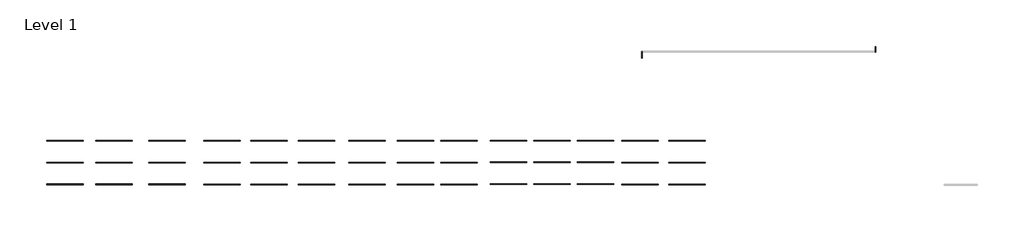
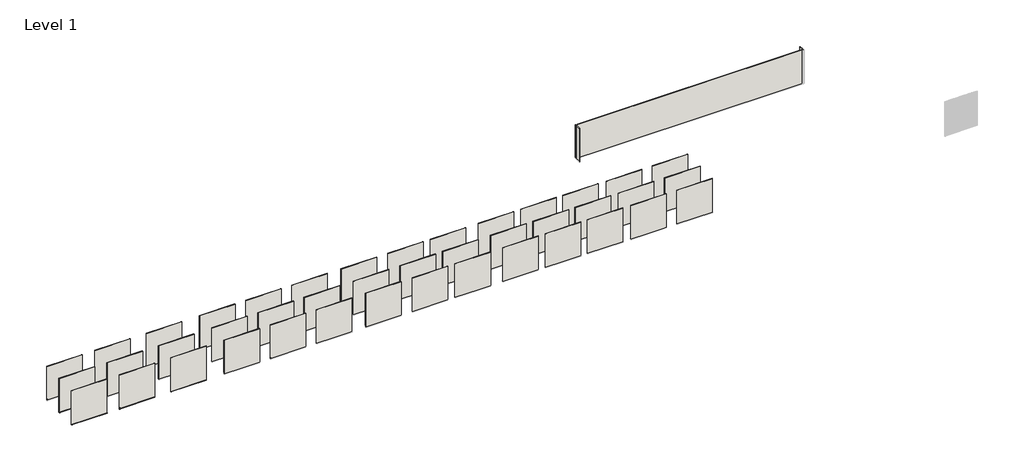
# One storey, part 1 of 3: 45 walls, 4 proxies.
"""IFC4 building model written with IfcOpenShell, lengths in millimetres."""

from ifc_helpers import new_model, si_unit, frame, origin, origin_with_axes, place, context, project, spatial, polyline, circle_curve, outline, extrude, faceted_brep, element, save
from ifc_brep_helpers import plane_surface, cylinder_surface, revolved_surface, advanced_brep

model = new_model("IFC4")

# Units and contexts
model_context = context("Model", 3, world=origin())
ifc_project = project(units=[si_unit("LENGTHUNIT", "METRE", prefix="MILLI")], contexts=[model_context])

# Site, building, storey
site = spatial("IfcSite", under=ifc_project)
building = spatial("IfcBuilding", under=site)
storey = spatial("IfcBuildingStorey", under=building, Name="Level 1", Elevation=0.0)

# Proxies
placement = place(None, origin())
element("IfcBuildingElementProxy", 1, Name="Wall Sweeps", at=placement, inside=storey, context=model_context, shape_type="Brep", body=[
    faceted_brep([(44144.5829698, -72467.0971315, 69.85), (44144.5829698, -72465.5096315, 69.85), (44144.5829698, -72465.5096315, -1.5875), (44144.5829698, -72529.0096315, -1.5875), (44144.5829698, -72529.0096315, -24.742436), (44144.5829698, -72519.9495995, -33.802468), (44144.5829698, -72521.0721315, -34.925), (44144.5829698, -72530.5971315, -25.4), (44144.5829698, -72530.5971315, 0.0), (44144.5829698, -72516.3096315, 0.0), (44144.5829698, -72479.7971315, 0.0), (44144.5829698, -72467.0971315, 0.0), (47192.5829698, -72467.0971315, 69.85), (47192.5829698, -72467.0971315, 0.0), (47192.5829698, -72479.7971315, 0.0), (47192.5829698, -72516.3096315, 0.0), (47192.5829698, -72530.5971315, 0.0), (47192.5829698, -72530.5971315, -25.4), (47192.5829698, -72521.0721315, -34.925), (47192.5829698, -72519.9495995, -33.802468), (47192.5829698, -72529.0096315, -24.742436), (47192.5829698, -72529.0096315, -1.5875), (47192.5829698, -72465.5096315, -1.5875), (47192.5829698, -72465.5096315, 69.85)], [[[0, 1, 2, 3, 4, 5, 6, 7, 8, 9, 10, 11]], [[12, 13, 14, 15, 16, 17, 18, 19, 20, 21, 22, 23]], [[1, 0, 12, 23]], [[2, 1, 23, 22]], [[3, 2, 22, 21]], [[4, 3, 21, 20]], [[5, 4, 20, 19]], [[6, 5, 19, 18]], [[7, 6, 18, 17]], [[8, 7, 17, 16]], [[11, 10, 9, 8, 16, 15, 14, 13]], [[0, 11, 13, 12]]]),
])
element("IfcBuildingElementProxy", 2, Name="Wall Sweeps", at=placement, inside=storey, context=model_context, shape_type="Brep", body=[
    faceted_brep([(39724.9829698, -72467.0971315, 69.85), (39724.9829698, -72465.5096315, 69.85), (39724.9829698, -72465.5096315, -1.5875), (39724.9829698, -72529.0096315, -1.5875), (39724.9829698, -72529.0096315, -24.742436), (39724.9829698, -72519.9495995, -33.802468), (39724.9829698, -72521.0721315, -34.925), (39724.9829698, -72530.5971315, -25.4), (39724.9829698, -72530.5971315, 0.0), (39724.9829698, -72516.3096315, 0.0), (39724.9829698, -72479.7971315, 0.0), (39724.9829698, -72467.0971315, 0.0), (42772.9829698, -72467.0971315, 69.85), (42772.9829698, -72467.0971315, 0.0), (42772.9829698, -72479.7971315, 0.0), (42772.9829698, -72516.3096315, 0.0), (42772.9829698, -72530.5971315, 0.0), (42772.9829698, -72530.5971315, -25.4), (42772.9829698, -72521.0721315, -34.925), (42772.9829698, -72519.9495995, -33.802468), (42772.9829698, -72529.0096315, -24.742436), (42772.9829698, -72529.0096315, -1.5875), (42772.9829698, -72465.5096315, -1.5875), (42772.9829698, -72465.5096315, 69.85)], [[[0, 1, 2, 3, 4, 5, 6, 7, 8, 9, 10, 11]], [[12, 13, 14, 15, 16, 17, 18, 19, 20, 21, 22, 23]], [[1, 0, 12, 23]], [[2, 1, 23, 22]], [[3, 2, 22, 21]], [[4, 3, 21, 20]], [[5, 4, 20, 19]], [[6, 5, 19, 18]], [[7, 6, 18, 17]], [[8, 7, 17, 16]], [[11, 10, 9, 8, 16, 15, 14, 13]], [[0, 11, 13, 12]]]),
])
element("IfcBuildingElementProxy", 3, Name="Wall Sweeps", at=placement, inside=storey, context=model_context, shape_type="Brep", body=[
    faceted_brep([(35610.1829698, -72467.0971315, 69.85), (35610.1829698, -72465.5096315, 69.85), (35610.1829698, -72465.5096315, -1.5875), (35610.1829698, -72529.0096315, -1.5875), (35610.1829698, -72529.0096315, -24.742436), (35610.1829698, -72519.9495995, -33.802468), (35610.1829698, -72521.0721315, -34.925), (35610.1829698, -72530.5971315, -25.4), (35610.1829698, -72530.5971315, 0.0), (35610.1829698, -72516.3096315, 0.0), (35610.1829698, -72479.7971315, 0.0), (35610.1829698, -72467.0971315, 0.0), (38658.1829698, -72467.0971315, 69.85), (38658.1829698, -72467.0971315, 0.0), (38658.1829698, -72479.7971315, 0.0), (38658.1829698, -72516.3096315, 0.0), (38658.1829698, -72530.5971315, 0.0), (38658.1829698, -72530.5971315, -25.4), (38658.1829698, -72521.0721315, -34.925), (38658.1829698, -72519.9495995, -33.802468), (38658.1829698, -72529.0096315, -24.742436), (38658.1829698, -72529.0096315, -1.5875), (38658.1829698, -72465.5096315, -1.5875), (38658.1829698, -72465.5096315, 69.85)], [[[0, 1, 2, 3, 4, 5, 6, 7, 8, 9, 10, 11]], [[12, 13, 14, 15, 16, 17, 18, 19, 20, 21, 22, 23]], [[1, 0, 12, 23]], [[2, 1, 23, 22]], [[3, 2, 22, 21]], [[4, 3, 21, 20]], [[5, 4, 20, 19]], [[6, 5, 19, 18]], [[7, 6, 18, 17]], [[8, 7, 17, 16]], [[11, 10, 9, 8, 16, 15, 14, 13]], [[0, 11, 13, 12]]]),
])
element("IfcBuildingElementProxy", 4, Name="Wall Sweeps", at=placement, inside=storey, context=model_context, shape_type="Brep", body=[
    faceted_brep([(35610.1829698, -70638.2971315, 69.85), (35610.1829698, -70636.7096315, 69.85), (35610.1829698, -70636.7096315, -1.5875), (35610.1829698, -70700.2096315, -1.5875), (35610.1829698, -70700.2096315, -24.742436), (35610.1829698, -70691.1495995, -33.802468), (35610.1829698, -70692.2721315, -34.925), (35610.1829698, -70701.7971315, -25.4), (35610.1829698, -70701.7971315, 0.0), (35610.1829698, -70687.5096315, 0.0), (35610.1829698, -70650.9971315, 0.0), (35610.1829698, -70638.2971315, 0.0), (38658.1829698, -70638.2971315, 69.85), (38658.1829698, -70638.2971315, 0.0), (38658.1829698, -70650.9971315, 0.0), (38658.1829698, -70687.5096315, 0.0), (38658.1829698, -70701.7971315, 0.0), (38658.1829698, -70701.7971315, -25.4), (38658.1829698, -70692.2721315, -34.925), (38658.1829698, -70691.1495995, -33.802468), (38658.1829698, -70700.2096315, -24.742436), (38658.1829698, -70700.2096315, -1.5875), (38658.1829698, -70636.7096315, -1.5875), (38658.1829698, -70636.7096315, 69.85)], [[[0, 1, 2, 3, 4, 5, 6, 7, 8, 9, 10, 11]], [[12, 13, 14, 15, 16, 17, 18, 19, 20, 21, 22, 23]], [[1, 0, 12, 23]], [[2, 1, 23, 22]], [[3, 2, 22, 21]], [[4, 3, 21, 20]], [[5, 4, 20, 19]], [[6, 5, 19, 18]], [[7, 6, 18, 17]], [[8, 7, 17, 16]], [[11, 10, 9, 8, 16, 15, 14, 13]], [[0, 11, 13, 12]]]),
])

# Walls
element("IfcWall", 5, at=placement, inside=storey, context=model_context, shape_type="SweptSolid", body=[
    extrude(outline(polyline([(51764.5829698, -72516.3096315), (48716.5829698, -72516.3096315), (48716.5829698, -72479.7971315), (51764.5829698, -72479.7971315), (51764.5829698, -72516.3096315)])), origin_with_axes(), (0.0, 0.0, 1.0), 3048.0),
])
element("IfcWall", 6, at=placement, inside=storey, context=model_context, shape_type="SweptSolid", body=[
    extrude(outline(polyline([(59689.3829698, -72516.3096315), (56641.3829698, -72516.3096315), (56641.3829698, -72479.7971315), (59689.3829698, -72479.7971315), (59689.3829698, -72516.3096315)])), origin_with_axes(), (0.0, 0.0, 1.0), 3048.0),
])
element("IfcWall", 7, at=placement, inside=storey, context=model_context, shape_type="SweptSolid", body=[
    extrude(outline(polyline([(67918.9829698, -72516.3096315), (64870.9829698, -72516.3096315), (64870.9829698, -72479.7971315), (67918.9829698, -72479.7971315), (67918.9829698, -72516.3096315)])), origin_with_axes(), (0.0, 0.0, 1.0), 3048.0),
])
element("IfcWall", 8, at=placement, inside=storey, context=model_context, shape_type="SweptSolid", body=[
    extrude(outline(polyline([(75691.3829698, -72500.4346315), (72643.3829698, -72500.4346315), (72643.3829698, -72463.9221315), (75691.3829698, -72463.9221315), (75691.3829698, -72500.4346315)])), origin_with_axes(), (0.0, 0.0, 1.0), 3048.0),
])
element("IfcWall", 9, at=placement, inside=storey, context=model_context, shape_type="SweptSolid", body=[
    extrude(outline(polyline([(86664.1829698, -72516.3096315), (83616.1829698, -72516.3096315), (83616.1829698, -72479.7971315), (86664.1829698, -72479.7971315), (86664.1829698, -72516.3096315)])), origin_with_axes(), (0.0, 0.0, 1.0), 3048.0),
])
element("IfcWall", 10, at=placement, inside=storey, context=model_context, shape_type="SweptSolid", body=[
    extrude(outline(polyline([(90626.5829698, -72516.3096315), (87578.5829698, -72516.3096315), (87578.5829698, -72479.7971315), (90626.5829698, -72479.7971315), (90626.5829698, -72516.3096315)])), origin_with_axes(), (0.0, 0.0, 1.0), 3048.0),
])
element("IfcWall", 11, at=placement, inside=storey, context=model_context, shape_type="AdvancedBrep", body=[
    advanced_brep(
    [(104797.4242378, -61412.5408815, 0.0), (104797.4242378, -61412.5408815, 3048.0), (85390.5655198, -61412.5408815, 3048.0), (85390.5655198, -61412.5408815, 0.0), (85326.7367378, -61412.5408815, 3048.0), (85326.7367378, -61412.5408815, 0.0), (85329.1179878, -61412.5408815, 0.0), (85389.4429878, -61412.5408815, 0.0), (85389.4429878, -61412.5408815, 3048.0), (85329.1179878, -61412.5408815, 3048.0), (104797.4242378, -61376.0283815, 0.0), (85326.7367378, -61376.0283815, 0.0), (85326.7367378, -61376.0283815, 3048.0), (104797.4242378, -61376.0283815, 3048.0), (85389.4429878, -61410.9533815, 0.0), (85379.9179878, -61410.9533815, 0.0), (85379.9179878, -61411.7471315, 0.0), (85389.4429878, -61411.7471315, 0.0), (85389.4429878, -61411.7471315, 3048.0), (85379.9179878, -61411.7471315, 3048.0), (85379.9179878, -61410.9533815, 3048.0), (85389.4429878, -61410.9533815, 3048.0)],
    [
        (0, 1),
        (1, 2),
        (2, 3),
        (3, 0),
        (4, 5),
        (5, 6),
        (6, 7),
        (7, 8),
        (8, 9),
        (9, 4),
        (10, 11),
        (11, 12),
        (12, 13),
        (13, 10),
        (10, 0),
        (3, 14, circle_curve(frame((85389.4429878, -61412.1440065, 0.0), z_axis=(0.0, 0.0, 1.0), x_axis=(0.0, -1.0, 0.0)), 1.190625)),
        (14, 15),
        (15, 16),
        (16, 17),
        (17, 7, circle_curve(frame((85389.4429878, -61412.1440065, 0.0), z_axis=(0.0, 0.0, -1.0), x_axis=(0.0, -1.0, 0.0)), 0.396875)),
        (5, 11),
        (12, 4),
        (8, 18, circle_curve(frame((85389.4429878, -61412.1440065, 3048.0), z_axis=(0.0, 0.0, 1.0), x_axis=(0.0, -1.0, 0.0)), 0.396875)),
        (18, 19),
        (19, 20),
        (20, 21),
        (21, 2, circle_curve(frame((85389.4429878, -61412.1440065, 3048.0), z_axis=(0.0, 0.0, -1.0), x_axis=(0.0, -1.0, 0.0)), 1.190625)),
        (1, 13),
        (21, 14),
        (20, 15),
        (19, 16),
        (18, 17),
    ],
    [
        plane_surface(frame((85326.7367378, -61412.5408815, 0.0), z_axis=(0.0, -1.0, 0.0), x_axis=(1.0, 0.0, 0.0))),
        plane_surface(frame((85326.7367378, -61376.0283815, 0.0), z_axis=(0.0, 1.0, 0.0), x_axis=(-1.0, 0.0, 0.0))),
        plane_surface(frame((85308.4804878, -61412.5408815, 0.0), z_axis=(0.0, 0.0, -1.0), x_axis=(0.0, 1.0, 0.0))),
        plane_surface(frame((104815.6804878, -61412.5408815, 3048.0), z_axis=(0.0, 0.0, 1.0), x_axis=(0.0, 1.0, 0.0))),
        plane_surface(frame((104797.4242378, -61412.5408815, 0.0), z_axis=(1.0, 0.0, 0.0), x_axis=(0.0, -1.0, 0.0))),
        plane_surface(frame((85326.7367378, -61642.7283815, 0.0), z_axis=(-1.0, 0.0, 0.0), x_axis=(0.0, 1.0, 0.0))),
        revolved_surface(polyline([(85389.4429878, -61413.3346315, 3048.0), (85389.4429878, -61413.3346315, 0.0)]), (85389.4429878, -61412.1440065, 3048.0), (0.0, 0.0, 1.0)),
        plane_surface(frame((85389.4429878, -61410.9533815, 3048.0), z_axis=(0.0, -1.0, 0.0), x_axis=(0.0, 0.0, -1.0))),
        plane_surface(frame((85379.9179878, -61410.9533815, 3048.0), z_axis=(1.0, 0.0, 0.0), x_axis=(0.0, 0.0, -1.0))),
        plane_surface(frame((85379.9179878, -61411.7471315, 3048.0), z_axis=(0.0, 1.0, 0.0), x_axis=(0.0, 0.0, -1.0))),
        cylinder_surface(frame((85389.4429878, -61412.1440065, 3048.0), z_axis=(0.0, 0.0, -1.0), x_axis=(0.0, -1.0, 0.0)), 0.396875),
    ],
    [
        (0, [[1, 2, 3, 4]]),
        (0, [[5, 6, 7, 8, 9, 10]]),
        (1, [[11, 12, 13, 14]]),
        (2, [[-11, 15, -4, 16, 17, 18, 19, 20, -7, -6, 21]]),
        (3, [[-13, 22, -10, -9, 23, 24, 25, 26, 27, -2, 28]]),
        (4, [[-1, -15, -14, -28]]),
        (5, [[-5, -22, -12, -21]]),
        (6, [[29, -16, -3, -27]]),
        (7, [[-29, -26, 30, -17]]),
        (8, [[-30, -25, 31, -18]]),
        (9, [[-31, -24, 32, -19]]),
        (10, [[-32, -23, -8, -20]]),
    ],
),
])
element("IfcWall", 12, at=placement, inside=storey, context=model_context, shape_type="AdvancedBrep", body=[
    advanced_brep(
    [(104833.9367378, -60955.3408815, 0.0), (104833.9367378, -60955.3408815, 3048.0), (104833.9367378, -61320.1370995, 3048.0), (104833.9367378, -61320.1370995, 0.0), (104833.9367378, -61412.5408815, 3048.0), (104833.9367378, -61412.5408815, 0.0), (104833.9367378, -61350.2376881, 0.0), (104833.9367378, -61321.2596315, 0.0), (104833.9367378, -61321.2596315, 3048.0), (104833.9367378, -61350.2376881, 3048.0), (104797.4242378, -60955.3408815, 0.0), (104797.4242378, -61376.0283815, 0.0), (104797.4242378, -61412.5408815, 0.0), (104797.4242378, -61412.5408815, 3048.0), (104797.4242378, -61376.0283815, 3048.0), (104797.4242378, -60955.3408815, 3048.0), (104832.3492378, -61321.2596315, 0.0), (104832.3492378, -61329.1971315, 0.0), (104833.1429878, -61329.1971315, 0.0), (104833.1429878, -61321.2596315, 0.0), (104833.1429878, -61321.2596315, 3048.0), (104833.1429878, -61329.1971315, 3048.0), (104832.3492378, -61329.1971315, 3048.0), (104832.3492378, -61321.2596315, 3048.0)],
    [
        (0, 1),
        (1, 2),
        (2, 3),
        (3, 0),
        (4, 5),
        (5, 6),
        (6, 7),
        (7, 8),
        (8, 9),
        (9, 4),
        (10, 11),
        (11, 12),
        (12, 13),
        (13, 14),
        (14, 15),
        (15, 10),
        (10, 0),
        (3, 16, circle_curve(frame((104833.5398628, -61321.2596315, 0.0), z_axis=(0.0, 0.0, 1.0), x_axis=(1.0, 0.0, 0.0)), 1.190625)),
        (16, 17),
        (17, 18),
        (18, 19),
        (19, 7, circle_curve(frame((104833.5398628, -61321.2596315, 0.0), z_axis=(0.0, 0.0, -1.0), x_axis=(1.0, 0.0, 0.0)), 0.396875)),
        (5, 12),
        (15, 1),
        (13, 4),
        (8, 20, circle_curve(frame((104833.5398628, -61321.2596315, 3048.0), z_axis=(0.0, 0.0, 1.0), x_axis=(1.0, 0.0, 0.0)), 0.396875)),
        (20, 21),
        (21, 22),
        (22, 23),
        (23, 2, circle_curve(frame((104833.5398628, -61321.2596315, 3048.0), z_axis=(0.0, 0.0, -1.0), x_axis=(1.0, 0.0, 0.0)), 1.190625)),
        (23, 16),
        (22, 17),
        (21, 18),
        (20, 19),
    ],
    [
        plane_surface(frame((104833.9367378, -61412.5408815, 0.0), z_axis=(1.0, 0.0, 0.0), x_axis=(0.0, 1.0, 0.0))),
        plane_surface(frame((104797.4242378, -61412.5408815, 0.0), z_axis=(-1.0, 0.0, 0.0), x_axis=(0.0, -1.0, 0.0))),
        plane_surface(frame((104833.9367378, -61394.2846315, 0.0), z_axis=(0.0, 0.0, -1.0), x_axis=(-1.0, 0.0, 0.0))),
        plane_surface(frame((104833.9367378, -60955.3408815, 0.0), z_axis=(0.0, 1.0, 0.0), x_axis=(-1.0, 0.0, 0.0))),
        plane_surface(frame((104833.9367378, -60955.3408815, 3048.0), z_axis=(0.0, 0.0, 1.0), x_axis=(-1.0, 0.0, 0.0))),
        plane_surface(frame((85326.7367378, -61412.5408815, 0.0), z_axis=(0.0, -1.0, 0.0), x_axis=(1.0, 0.0, 0.0))),
        revolved_surface(polyline([(104834.7304878, -61321.2596315, 3048.0), (104834.7304878, -61321.2596315, 0.0)]), (104833.5398628, -61321.2596315, 3048.0), (0.0, 0.0, 1.0)),
        plane_surface(frame((104832.3492378, -61321.2596315, 3048.0), z_axis=(1.0, 0.0, 0.0), x_axis=(0.0, 0.0, -1.0))),
        plane_surface(frame((104832.3492378, -61329.1971315, 3048.0), z_axis=(0.0, 1.0, 0.0), x_axis=(0.0, 0.0, -1.0))),
        plane_surface(frame((104833.1429878, -61329.1971315, 3048.0), z_axis=(-1.0, 0.0, 0.0), x_axis=(0.0, 0.0, -1.0))),
        cylinder_surface(frame((104833.5398628, -61321.2596315, 3048.0), z_axis=(0.0, 0.0, -1.0), x_axis=(1.0, 0.0, 0.0)), 0.396875),
    ],
    [
        (0, [[1, 2, 3, 4]]),
        (0, [[5, 6, 7, 8, 9, 10]]),
        (1, [[11, 12, 13, 14, 15, 16]]),
        (2, [[-12, -11, 17, -4, 18, 19, 20, 21, 22, -7, -6, 23]]),
        (3, [[-1, -17, -16, 24]]),
        (4, [[-15, -14, 25, -10, -9, 26, 27, 28, 29, 30, -2, -24]]),
        (5, [[-5, -25, -13, -23]]),
        (6, [[31, -18, -3, -30]]),
        (7, [[-31, -29, 32, -19]]),
        (8, [[-32, -28, 33, -20]]),
        (9, [[-33, -27, 34, -21]]),
        (10, [[-34, -26, -8, -22]]),
    ],
),
])
element("IfcWall", 13, at=placement, inside=storey, context=model_context, shape_type="Brep", body=[
    faceted_brep([(85290.2242378, -61376.0283815, 0.0), (85290.2242378, -61947.5283815, 0.0), (85290.2242378, -61947.5283815, 3048.0), (85290.2242378, -61376.0283815, 3048.0), (85326.7367378, -61947.5283815, 0.0), (85326.7367378, -61412.5408815, 0.0), (85326.7367378, -61376.0283815, 0.0), (85326.7367378, -61376.0283815, 3048.0), (85326.7367378, -61412.5408815, 3048.0), (85326.7367378, -61947.5283815, 3048.0)], [[[0, 1, 2, 3]], [[4, 5, 6, 7, 8, 9]], [[1, 0, 6, 5, 4]], [[2, 1, 4, 9]], [[3, 2, 9, 8, 7]], [[0, 3, 7, 6]]]),
])
element("IfcWall", 14, at=placement, inside=storey, context=model_context, shape_type="SweptSolid", body=[
    extrude(outline(polyline([(63905.7829698, -72516.3096315), (60857.7829698, -72516.3096315), (60857.7829698, -72479.7971315), (63905.7829698, -72479.7971315), (63905.7829698, -72516.3096315)])), origin_with_axes(), (0.0, 0.0, 1.0), 3048.0),
])
element("IfcWall", 15, at=placement, inside=storey, context=model_context, shape_type="SweptSolid", body=[
    extrude(outline(polyline([(71576.5829698, -72516.3096315), (68528.5829698, -72516.3096315), (68528.5829698, -72479.7971315), (71576.5829698, -72479.7971315), (71576.5829698, -72516.3096315)])), origin_with_axes(), (0.0, 0.0, 1.0), 3048.0),
])
element("IfcWall", 16, at=placement, inside=storey, context=model_context, shape_type="SweptSolid", body=[
    extrude(outline(polyline([(79348.9829698, -72500.4346315), (76300.9829698, -72500.4346315), (76300.9829698, -72463.9221315), (79348.9829698, -72463.9221315), (79348.9829698, -72500.4346315)])), origin_with_axes(), (0.0, 0.0, 1.0), 3048.0),
])
element("IfcWall", 17, at=placement, inside=storey, context=model_context, shape_type="SweptSolid", body=[
    extrude(outline(polyline([(82955.7829698, -72500.4346315), (79907.7829698, -72500.4346315), (79907.7829698, -72463.9221315), (82955.7829698, -72463.9221315), (82955.7829698, -72500.4346315)])), origin_with_axes(), (0.0, 0.0, 1.0), 3048.0),
])
element("IfcWall", 18, at=placement, inside=storey, context=model_context, shape_type="SweptSolid", body=[
    extrude(outline(polyline([(55726.9829698, -72516.3096315), (52678.9829698, -72516.3096315), (52678.9829698, -72479.7971315), (55726.9829698, -72479.7971315), (55726.9829698, -72516.3096315)])), origin_with_axes(), (0.0, 0.0, 1.0), 3048.0),
])
element("IfcWall", 19, at=placement, inside=storey, context=model_context, shape_type="SweptSolid", body=[
    extrude(outline(polyline([(47192.5829698, -72516.3096315), (44144.5829698, -72516.3096315), (44144.5829698, -72479.7971315), (47192.5829698, -72479.7971315), (47192.5829698, -72516.3096315)])), origin_with_axes(), (0.0, 0.0, 1.0), 3048.0),
])
element("IfcWall", 20, at=placement, inside=storey, context=model_context, shape_type="SweptSolid", body=[
    extrude(outline(polyline([(42772.9829698, -72516.3096315), (39724.9829698, -72516.3096315), (39724.9829698, -72479.7971315), (42772.9829698, -72479.7971315), (42772.9829698, -72516.3096315)])), origin_with_axes(), (0.0, 0.0, 1.0), 3048.0),
])
element("IfcWall", 21, at=placement, inside=storey, context=model_context, shape_type="SweptSolid", body=[
    extrude(outline(polyline([(38658.1829698, -72516.3096315), (35610.1829698, -72516.3096315), (35610.1829698, -72479.7971315), (38658.1829698, -72479.7971315), (38658.1829698, -72516.3096315)])), origin_with_axes(), (0.0, 0.0, 1.0), 3048.0),
])
element("IfcWall", 22, at=placement, inside=storey, context=model_context, shape_type="SweptSolid", body=[
    extrude(outline(polyline([(51764.5829698, -70687.5096315), (48716.5829698, -70687.5096315), (48716.5829698, -70650.9971315), (51764.5829698, -70650.9971315), (51764.5829698, -70687.5096315)])), origin_with_axes(), (0.0, 0.0, 1.0), 3048.0),
])
element("IfcWall", 23, at=placement, inside=storey, context=model_context, shape_type="SweptSolid", body=[
    extrude(outline(polyline([(59689.3829698, -70687.5096315), (56641.3829698, -70687.5096315), (56641.3829698, -70650.9971315), (59689.3829698, -70650.9971315), (59689.3829698, -70687.5096315)])), origin_with_axes(), (0.0, 0.0, 1.0), 3048.0),
])
element("IfcWall", 24, at=placement, inside=storey, context=model_context, shape_type="SweptSolid", body=[
    extrude(outline(polyline([(67918.9829698, -70687.5096315), (64870.9829698, -70687.5096315), (64870.9829698, -70650.9971315), (67918.9829698, -70650.9971315), (67918.9829698, -70687.5096315)])), origin_with_axes(), (0.0, 0.0, 1.0), 3048.0),
])
element("IfcWall", 25, at=placement, inside=storey, context=model_context, shape_type="SweptSolid", body=[
    extrude(outline(polyline([(75691.3829698, -70671.6346315), (72643.3829698, -70671.6346315), (72643.3829698, -70635.1221315), (75691.3829698, -70635.1221315), (75691.3829698, -70671.6346315)])), origin_with_axes(), (0.0, 0.0, 1.0), 3048.0),
])
element("IfcWall", 26, at=placement, inside=storey, context=model_context, shape_type="SweptSolid", body=[
    extrude(outline(polyline([(86664.1829698, -70687.5096315), (83616.1829698, -70687.5096315), (83616.1829698, -70650.9971315), (86664.1829698, -70650.9971315), (86664.1829698, -70687.5096315)])), origin_with_axes(), (0.0, 0.0, 1.0), 3048.0),
])
element("IfcWall", 27, at=placement, inside=storey, context=model_context, shape_type="SweptSolid", body=[
    extrude(outline(polyline([(90626.5829698, -70687.5096315), (87578.5829698, -70687.5096315), (87578.5829698, -70650.9971315), (90626.5829698, -70650.9971315), (90626.5829698, -70687.5096315)])), origin_with_axes(), (0.0, 0.0, 1.0), 3048.0),
])
element("IfcWall", 28, at=placement, inside=storey, context=model_context, shape_type="SweptSolid", body=[
    extrude(outline(polyline([(63905.7829698, -70687.5096315), (60857.7829698, -70687.5096315), (60857.7829698, -70650.9971315), (63905.7829698, -70650.9971315), (63905.7829698, -70687.5096315)])), origin_with_axes(), (0.0, 0.0, 1.0), 3048.0),
])
element("IfcWall", 29, at=placement, inside=storey, context=model_context, shape_type="SweptSolid", body=[
    extrude(outline(polyline([(71576.5829698, -70687.5096315), (68528.5829698, -70687.5096315), (68528.5829698, -70650.9971315), (71576.5829698, -70650.9971315), (71576.5829698, -70687.5096315)])), origin_with_axes(), (0.0, 0.0, 1.0), 3048.0),
])
element("IfcWall", 30, at=placement, inside=storey, context=model_context, shape_type="SweptSolid", body=[
    extrude(outline(polyline([(79348.9829698, -70671.6346315), (76300.9829698, -70671.6346315), (76300.9829698, -70635.1221315), (79348.9829698, -70635.1221315), (79348.9829698, -70671.6346315)])), origin_with_axes(), (0.0, 0.0, 1.0), 3048.0),
])
element("IfcWall", 31, at=placement, inside=storey, context=model_context, shape_type="SweptSolid", body=[
    extrude(outline(polyline([(82955.7829698, -70671.6346315), (79907.7829698, -70671.6346315), (79907.7829698, -70635.1221315), (82955.7829698, -70635.1221315), (82955.7829698, -70671.6346315)])), origin_with_axes(), (0.0, 0.0, 1.0), 3048.0),
])
element("IfcWall", 32, at=placement, inside=storey, context=model_context, shape_type="SweptSolid", body=[
    extrude(outline(polyline([(55726.9829698, -70687.5096315), (52678.9829698, -70687.5096315), (52678.9829698, -70650.9971315), (55726.9829698, -70650.9971315), (55726.9829698, -70687.5096315)])), origin_with_axes(), (0.0, 0.0, 1.0), 3048.0),
])
element("IfcWall", 33, at=placement, inside=storey, context=model_context, shape_type="SweptSolid", body=[
    extrude(outline(polyline([(47192.5829698, -70687.5096315), (44144.5829698, -70687.5096315), (44144.5829698, -70650.9971315), (47192.5829698, -70650.9971315), (47192.5829698, -70687.5096315)])), origin_with_axes(), (0.0, 0.0, 1.0), 3048.0),
])
element("IfcWall", 34, at=placement, inside=storey, context=model_context, shape_type="SweptSolid", body=[
    extrude(outline(polyline([(42772.9829698, -70687.5096315), (39724.9829698, -70687.5096315), (39724.9829698, -70650.9971315), (42772.9829698, -70650.9971315), (42772.9829698, -70687.5096315)])), origin_with_axes(), (0.0, 0.0, 1.0), 3048.0),
])
element("IfcWall", 35, at=placement, inside=storey, context=model_context, shape_type="SweptSolid", body=[
    extrude(outline(polyline([(38658.1829698, -70687.5096315), (35610.1829698, -70687.5096315), (35610.1829698, -70650.9971315), (38658.1829698, -70650.9971315), (38658.1829698, -70687.5096315)])), origin_with_axes(), (0.0, 0.0, 1.0), 3048.0),
])
element("IfcWall", 36, at=placement, inside=storey, context=model_context, shape_type="SweptSolid", body=[
    extrude(outline(polyline([(51764.5829698, -68869.3571635), (48716.5829698, -68869.3571635), (48716.5829698, -68832.8446635), (51764.5829698, -68832.8446635), (51764.5829698, -68869.3571635)])), origin_with_axes(), (0.0, 0.0, 1.0), 3048.0),
])
element("IfcWall", 37, at=placement, inside=storey, context=model_context, shape_type="SweptSolid", body=[
    extrude(outline(polyline([(59689.3829698, -68869.3571635), (56641.3829698, -68869.3571635), (56641.3829698, -68832.8446635), (59689.3829698, -68832.8446635), (59689.3829698, -68869.3571635)])), origin_with_axes(), (0.0, 0.0, 1.0), 3048.0),
])
element("IfcWall", 38, at=placement, inside=storey, context=model_context, shape_type="SweptSolid", body=[
    extrude(outline(polyline([(67918.9829698, -68869.3571635), (64870.9829698, -68869.3571635), (64870.9829698, -68832.8446635), (67918.9829698, -68832.8446635), (67918.9829698, -68869.3571635)])), origin_with_axes(), (0.0, 0.0, 1.0), 3048.0),
])
element("IfcWall", 39, at=placement, inside=storey, context=model_context, shape_type="SweptSolid", body=[
    extrude(outline(polyline([(75691.3829698, -68853.4821635), (72643.3829698, -68853.4821635), (72643.3829698, -68816.9696635), (75691.3829698, -68816.9696635), (75691.3829698, -68853.4821635)])), origin_with_axes(), (0.0, 0.0, 1.0), 3048.0),
])
element("IfcWall", 40, at=placement, inside=storey, context=model_context, shape_type="SweptSolid", body=[
    extrude(outline(polyline([(86664.1829698, -68869.3571635), (83616.1829698, -68869.3571635), (83616.1829698, -68832.8446635), (86664.1829698, -68832.8446635), (86664.1829698, -68869.3571635)])), origin_with_axes(), (0.0, 0.0, 1.0), 3048.0),
])
element("IfcWall", 41, at=placement, inside=storey, context=model_context, shape_type="SweptSolid", body=[
    extrude(outline(polyline([(90626.5829698, -68869.3571635), (87578.5829698, -68869.3571635), (87578.5829698, -68832.8446635), (90626.5829698, -68832.8446635), (90626.5829698, -68869.3571635)])), origin_with_axes(), (0.0, 0.0, 1.0), 3048.0),
])
element("IfcWall", 42, at=placement, inside=storey, context=model_context, shape_type="SweptSolid", body=[
    extrude(outline(polyline([(63905.7829698, -68869.3571635), (60857.7829698, -68869.3571635), (60857.7829698, -68832.8446635), (63905.7829698, -68832.8446635), (63905.7829698, -68869.3571635)])), origin_with_axes(), (0.0, 0.0, 1.0), 3048.0),
])
element("IfcWall", 43, at=placement, inside=storey, context=model_context, shape_type="SweptSolid", body=[
    extrude(outline(polyline([(71576.5829698, -68869.3571635), (68528.5829698, -68869.3571635), (68528.5829698, -68832.8446635), (71576.5829698, -68832.8446635), (71576.5829698, -68869.3571635)])), origin_with_axes(), (0.0, 0.0, 1.0), 3048.0),
])
element("IfcWall", 44, at=placement, inside=storey, context=model_context, shape_type="SweptSolid", body=[
    extrude(outline(polyline([(79348.9829698, -68853.4821635), (76300.9829698, -68853.4821635), (76300.9829698, -68816.9696635), (79348.9829698, -68816.9696635), (79348.9829698, -68853.4821635)])), origin_with_axes(), (0.0, 0.0, 1.0), 3048.0),
])
element("IfcWall", 45, at=placement, inside=storey, context=model_context, shape_type="SweptSolid", body=[
    extrude(outline(polyline([(82955.7829698, -68853.4821635), (79907.7829698, -68853.4821635), (79907.7829698, -68816.9696635), (82955.7829698, -68816.9696635), (82955.7829698, -68853.4821635)])), origin_with_axes(), (0.0, 0.0, 1.0), 3048.0),
])
element("IfcWall", 46, at=placement, inside=storey, context=model_context, shape_type="SweptSolid", body=[
    extrude(outline(polyline([(55726.9829698, -68869.3571635), (52678.9829698, -68869.3571635), (52678.9829698, -68832.8446635), (55726.9829698, -68832.8446635), (55726.9829698, -68869.3571635)])), origin_with_axes(), (0.0, 0.0, 1.0), 3048.0),
])
element("IfcWall", 47, at=placement, inside=storey, context=model_context, shape_type="SweptSolid", body=[
    extrude(outline(polyline([(47192.5829698, -68869.3571635), (44144.5829698, -68869.3571635), (44144.5829698, -68832.8446635), (47192.5829698, -68832.8446635), (47192.5829698, -68869.3571635)])), origin_with_axes(), (0.0, 0.0, 1.0), 3048.0),
])
element("IfcWall", 48, at=placement, inside=storey, context=model_context, shape_type="SweptSolid", body=[
    extrude(outline(polyline([(42772.9829698, -68869.3571635), (39724.9829698, -68869.3571635), (39724.9829698, -68832.8446635), (42772.9829698, -68832.8446635), (42772.9829698, -68869.3571635)])), origin_with_axes(), (0.0, 0.0, 1.0), 3048.0),
])
element("IfcWall", 49, at=placement, inside=storey, context=model_context, shape_type="SweptSolid", body=[
    extrude(outline(polyline([(38658.1829698, -68869.3571635), (35610.1829698, -68869.3571635), (35610.1829698, -68832.8446635), (38658.1829698, -68832.8446635), (38658.1829698, -68869.3571635)])), origin_with_axes(), (0.0, 0.0, 1.0), 3048.0),
])

save(model, "model.ifc")
